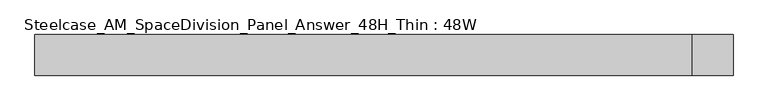
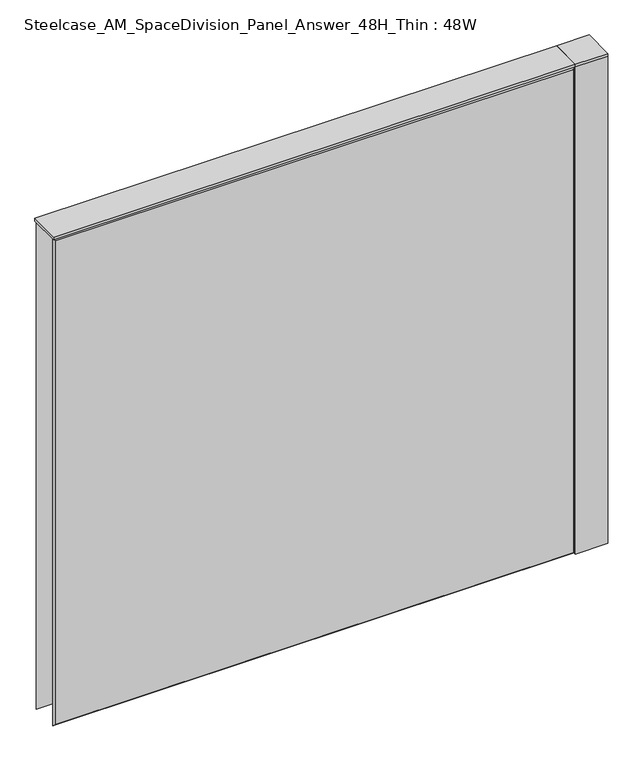
"""IFC4 building model written with IfcOpenShell, lengths in millimetres: furniture geometry, Steelcase_AM_SpaceDivision_Panel_Answer_48H_Thin : 48W."""

from ifc_helpers import new_model, si_unit, point, frame, frame_2d, origin, place, context, project, spatial, polyline, circle_curve, trimmed, segment, composite_curve, outline, extrude, faceted_brep, source, transform, mapped, element, save


def steelcase_am_spacedivision_panel_answer_48h_thin_48w_ea00bef5(model_context):
    return source(origin(), model_context, "Body", "SolidModel", [
        extrude(outline(composite_curve([segment(trimmed(circle_curve(frame_2d((647.7, -1.94e-05)), 5.08), [point((652.78, -1.94e-05))], [point((642.62, -1.94e-05))], False, "CARTESIAN"), True, "CONTINUOUS"), segment(trimmed(circle_curve(frame_2d((647.7, -1.94e-05)), 5.08), [point((642.62, -1.94e-05))], [point((652.78, -1.94e-05))], False, "CARTESIAN"), True, "CONTINUOUS")], self_intersect=False)), frame((0.0, 0.0, 5.0799671), z_axis=(0.0, 0.0, 1.0), x_axis=(1.0, 0.0, 0.0)), (0.0, 0.0, 1.0), 10.414),
        extrude(outline(composite_curve([segment(trimmed(circle_curve(frame_2d((647.7, -1.94e-05)), 15.24), [point((662.94, -1.94e-05))], [point((632.46, -1.94e-05))], False, "CARTESIAN"), True, "CONTINUOUS"), segment(trimmed(circle_curve(frame_2d((647.7, -1.94e-05)), 15.24), [point((632.46, -1.94e-05))], [point((662.94, -1.94e-05))], False, "CARTESIAN"), True, "CONTINUOUS")], self_intersect=False)), frame((0.0, 0.0, -3.29e-05), z_axis=(0.0, 0.0, 1.0), x_axis=(1.0, 0.0, 0.0)), (0.0, 0.0, 1.0), 5.08),
        extrude(outline(polyline([(609.6, -38.1), (609.6, 38.1), (685.8, 38.1), (685.8, -38.1), (609.6, -38.1)])), frame((0.0, 0.0, 1219.1999671), z_axis=(0.0, 0.0, 1.0), x_axis=(1.0, 0.0, 0.0)), (0.0, 0.0, 1.0), 6.35),
        extrude(outline(polyline([(685.8, 38.1), (685.8, -38.1), (609.6, -38.1), (609.6, 38.1), (685.8, 38.1)])), frame((0.0, 0.0, 15.4939671), z_axis=(0.0, 0.0, 1.0), x_axis=(1.0, 0.0, 0.0)), (0.0, 0.0, 1.0), 1203.706),
        faceted_brep([(-604.774, 38.0960551, 1214.374), (604.774, 38.0960551, 1214.374), (604.774, 38.0960551, 20.32), (-604.774, 38.0960551, 20.32), (-609.6, 33.2700551, 1219.2), (-609.6, 33.2700551, 15.494), (609.6, 33.2700551, 15.494), (609.6, 33.2700551, 1219.2)], [[[0, 1, 2, 3]], [[4, 5, 6, 7]], [[4, 7, 1, 0]], [[7, 6, 2, 1]], [[6, 5, 3, 2]], [[5, 4, 0, 3]]]),
        faceted_brep([(604.774, -38.0960551, 1214.374), (-604.774, -38.0960551, 1214.374), (-604.774, -38.0960551, 20.32), (604.774, -38.0960551, 20.32), (609.6, -33.2700551, 1219.2), (609.6, -33.2700551, 15.494), (-609.6, -33.2700551, 15.494), (-609.6, -33.2700551, 1219.2)], [[[0, 1, 2, 3]], [[4, 5, 6, 7]], [[4, 7, 1, 0]], [[7, 6, 2, 1]], [[6, 5, 3, 2]], [[5, 4, 0, 3]]]),
        extrude(outline(polyline([(609.6, 38.1000194), (609.6, -38.1000194), (-609.6, -38.1000194), (-609.6, 38.1000194), (609.6, 38.1000194)])), frame((0.0, 0.0, 1219.2), z_axis=(0.0, 0.0, 1.0), x_axis=(1.0, 0.0, 0.0)), (0.0, 0.0, 1.0), 6.35),
    ])


if __name__ == "__main__":
    model = new_model("IFC4")
    model_context = context("Model", 3, world=origin())
    ifc_project = project(units=[si_unit("LENGTHUNIT", "METRE", prefix="MILLI")], contexts=[model_context])
    site = spatial("IfcSite", under=ifc_project)
    building = spatial("IfcBuilding", under=site)
    placement = place(None, origin())
    steelcase_am_spacedivision_panel_answer_48h_thin_48w_shape = steelcase_am_spacedivision_panel_answer_48h_thin_48w_ea00bef5(model_context)
    element("IfcFurniture", 1, ObjectType="Steelcase_AM_SpaceDivision_Panel_Answer_48H_Thin : 48W", at=placement, inside=building, context=model_context, shape_type="MappedRepresentation", body=[
        mapped(steelcase_am_spacedivision_panel_answer_48h_thin_48w_shape, transform((0.0, 0.0, 0.0), x_axis=(1.0, 0.0, 0.0), y_axis=(0.0, 1.0, 0.0), z_axis=(0.0, 0.0, 1.0))),
    ])
    save(model, "model.ifc")
